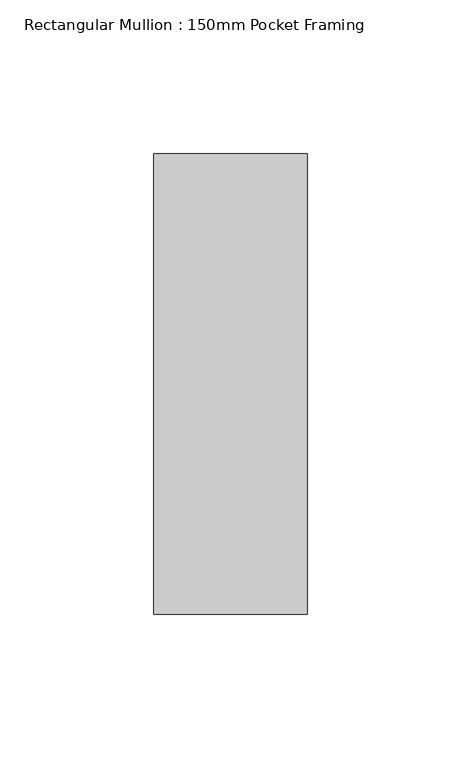
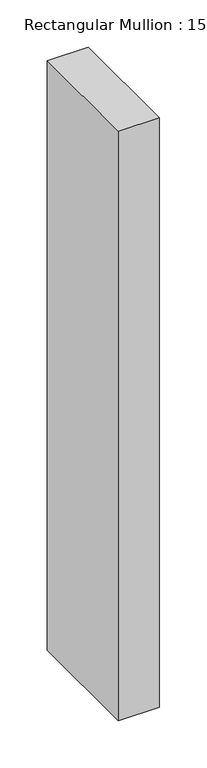
"""IFC4 building model written with IfcOpenShell, lengths in millimetres: member geometry, Rectangular Mullion : 150mm Pocket Framing."""

from ifc_helpers import new_model, si_unit, frame, origin, place, context, project, spatial, polyline, outline, extrude, source, transform, mapped, element, save


def rectangular_mullion_150mm_pocket_framing_cbb8367b(model_context):
    return source(origin(), model_context, "Body", "SweptSolid", [
        extrude(outline(polyline([(25.0, 75.0), (25.0, -75.0), (-25.0, -75.0), (-25.0, 75.0), (25.0, 75.0)])), frame((0.0, 0.0, -760.0), z_axis=(0.0, 0.0, 1.0), x_axis=(1.0, 0.0, 0.0)), (0.0, 0.0, 1.0), 760.0),
    ])


if __name__ == "__main__":
    model = new_model("IFC4")
    model_context = context("Model", 3, world=origin())
    ifc_project = project(units=[si_unit("LENGTHUNIT", "METRE", prefix="MILLI")], contexts=[model_context])
    site = spatial("IfcSite", under=ifc_project)
    building = spatial("IfcBuilding", under=site)
    placement = place(None, origin())
    rectangular_mullion_150mm_pocket_framing_shape = rectangular_mullion_150mm_pocket_framing_cbb8367b(model_context)
    element("IfcMember", 1, ObjectType="Rectangular Mullion : 150mm Pocket Framing", at=placement, inside=building, context=model_context, shape_type="MappedRepresentation", body=[
        mapped(rectangular_mullion_150mm_pocket_framing_shape, transform((0.0, 0.0, 0.0), x_axis=(1.0, 0.0, 0.0), y_axis=(0.0, 1.0, 0.0), z_axis=(0.0, 0.0, 1.0))),
    ])
    save(model, "model.ifc")
